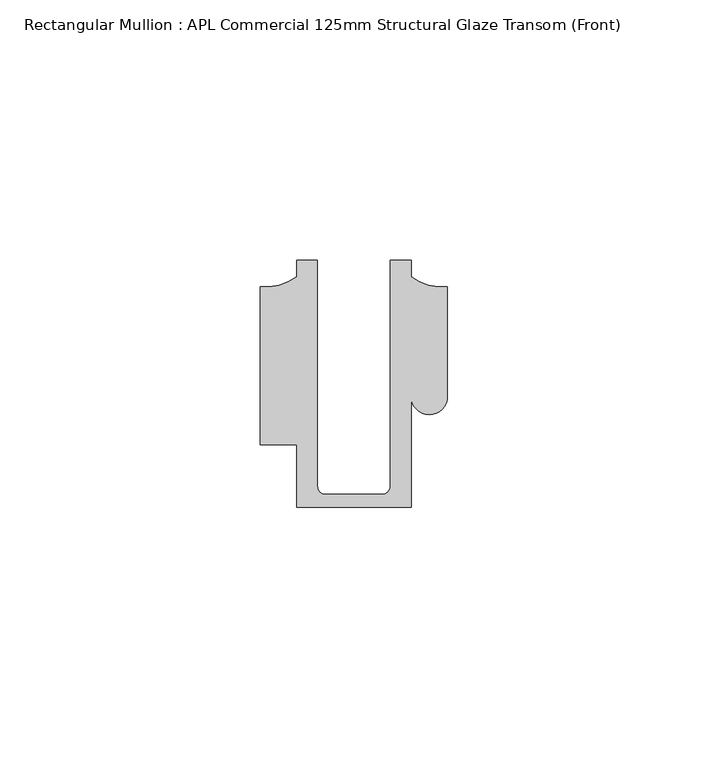
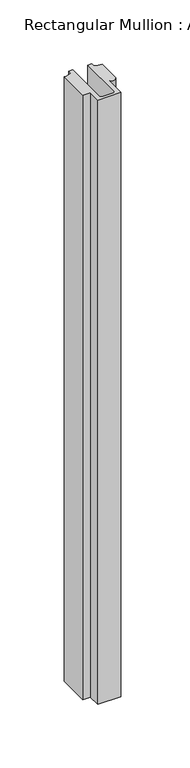
"""IFC4 building model written with IfcOpenShell, lengths in millimetres: member geometry, Rectangular Mullion : APL Commercial 125mm Structural Glaze Transom (Front)."""

from ifc_helpers import new_model, si_unit, frame, origin, place, context, project, spatial, polyline, circle_curve, source, transform, mapped, element, save
from ifc_brep_helpers import plane_surface, cylinder_surface, revolved_surface, advanced_brep


def rectangular_mullion_apl_commercial_125mm_structural_glaze_abcbf710(model_context):
    return source(origin(), model_context, "Body", "AdvancedBrep", [
        advanced_brep(
        [(-11.0000151, -27.0, 0.0), (11.001071, -27.0, 0.0), (11.001071, -5.5848769, 0.0), (17.9999091, -5.6750512, 0.0), (17.9999542, 15.3797475, 0.0), (11.0000151, 17.3125212, 0.0), (11.0000151, 20.5, 0.0), (6.9999849, 20.5, 0.0), (6.9999849, -22.9973451, 0.0), (5.4999872, -24.5, 0.0), (-5.4999873, -24.5, 0.0), (-6.9999853, -22.9976091, 0.0), (-6.9999853, 20.5, 0.0), (-10.9999994, 20.5, 0.0), (-10.9999994, 17.3125325, 0.0), (-17.9999542, 15.3797475, 0.0), (-17.9999542, -15.0006281, 0.0), (-11.0000151, -15.0006281, 0.0), (-11.0000151, -27.0, -603.0000609), (-11.0000151, -15.0006281, -603.0000609), (-17.9999542, -15.0006281, -603.0000609), (-17.9999542, 15.3797475, -603.0000609), (-10.9999994, 17.3125325, -603.0000609), (-10.9999994, 20.5, -603.0000609), (-6.9999853, 20.5, -603.0000609), (-6.9999853, -22.9976091, -603.0000609), (-5.4999873, -24.5, -603.0000609), (5.4999872, -24.5, -603.0000609), (6.9999849, -22.9973451, -603.0000609), (6.9999849, 20.5, -603.0000609), (11.0000151, 20.5, -603.0000609), (11.0000151, 17.3125212, -603.0000609), (17.9999542, 15.3797475, -603.0000609), (17.9999542, -5.684606, -603.0000609), (11.001071, -5.5848769, -603.0000609), (11.001071, -27.0, -603.0000609)],
        [
            (0, 1),
            (1, 2),
            (2, 3, circle_curve(frame((14.4999091, -5.6750512, 0.0), z_axis=(0.0, 0.0, 1.0), x_axis=(-0.9999826028573957, 0.005898642432633649, 0.0)), 3.5)),
            (3, 4),
            (4, 5, circle_curve(frame((17.109817, 25.7981812, 0.0), z_axis=(0.0, 0.0, -1.0), x_axis=(0.0, -1.0, 0.0)), 10.4563907)),
            (5, 6),
            (6, 7),
            (7, 8),
            (8, 9, circle_curve(frame((5.4999872, -23.0, 0.0), z_axis=(0.0, 0.0, -1.0), x_axis=(0.9999999999999986, 5.463622857820516e-08, 0.0)), 1.5)),
            (9, 10),
            (10, 11, circle_curve(frame((-5.4999873, -23.0, 0.0), z_axis=(0.0, 0.0, -1.0), x_axis=(2.7320010112268853e-08, -0.9999999999999997, 0.0)), 1.5)),
            (11, 12),
            (12, 13),
            (13, 14),
            (14, 15, circle_curve(frame((-17.109817, 25.7981812, 0.0), z_axis=(0.0, 0.0, -1.0), x_axis=(0.0, -1.0, 0.0)), 10.4563907)),
            (15, 16),
            (16, 17),
            (17, 0),
            (18, 19),
            (19, 20),
            (20, 21),
            (21, 22, circle_curve(frame((-17.109817, 25.7981812, -603.0000609), z_axis=(0.0, 0.0, 1.0), x_axis=(0.0, -1.0, 0.0)), 10.4563907)),
            (22, 23),
            (23, 24),
            (24, 25),
            (25, 26, circle_curve(frame((-5.4999873, -23.0, -603.0000609), z_axis=(0.0, 0.0, 1.0), x_axis=(2.7320010112268853e-08, -0.9999999999999997, 0.0)), 1.5)),
            (26, 27),
            (27, 28, circle_curve(frame((5.4999872, -23.0, -603.0000609), z_axis=(0.0, 0.0, 1.0), x_axis=(0.9999999999999986, 5.463622857820516e-08, 0.0)), 1.5)),
            (28, 29),
            (29, 30),
            (30, 31),
            (31, 32, circle_curve(frame((17.109817, 25.7981812, -603.0000609), z_axis=(0.0, 0.0, 1.0), x_axis=(0.0, -1.0, 0.0)), 10.4563907)),
            (32, 33),
            (33, 34, circle_curve(frame((14.4999091, -5.6750512, -603.0000609), z_axis=(0.0, 0.0, -1.0), x_axis=(-0.9999826028573957, 0.005898642432633649, 0.0)), 3.5)),
            (34, 35),
            (35, 18),
            (0, 18),
            (35, 1),
            (34, 2),
            (33, 3),
            (32, 4),
            (31, 5),
            (30, 6),
            (29, 7),
            (28, 8),
            (27, 9),
            (26, 10),
            (25, 11),
            (24, 12),
            (23, 13),
            (22, 14),
            (21, 15),
            (20, 16),
            (19, 17),
        ],
        [
            plane_surface(frame((0.0, -29.1551636, 0.0), z_axis=(0.0, 0.0, 1.0), x_axis=(-1.0, 0.0, 0.0))),
            plane_surface(frame((0.0, -29.1551636, -603.0000609), z_axis=(0.0, 0.0, -1.0), x_axis=(-1.0, 0.0, 0.0))),
            plane_surface(frame((-11.0000151, -27.0, 0.0), z_axis=(0.0, -1.0, 0.0), x_axis=(0.0, 0.0, -1.0))),
            plane_surface(frame((11.001071, -27.0, 0.0), z_axis=(1.0, 0.0, 0.0), x_axis=(0.0, 0.0, -1.0))),
            cylinder_surface(frame((14.4999091, -5.6750512, 0.0), z_axis=(0.0, 0.0, 1.0), x_axis=(-0.9999826028573957, 0.005898642432633649, 0.0)), 3.5),
            plane_surface(frame((17.9999542, -5.684606, 0.0), z_axis=(1.0, 0.0, 0.0), x_axis=(0.0, 0.0, -1.0))),
            revolved_surface(polyline([(17.109817, 15.341790499999998, -603.0000609), (17.109817, 15.341790499999998, 0.0)]), (17.109817, 25.7981812, 0.0), (0.0, 0.0, -1.0)),
            plane_surface(frame((11.0000151, 17.3125212, 0.0), z_axis=(1.0, 0.0, 0.0), x_axis=(0.0, 0.0, -1.0))),
            plane_surface(frame((11.0000151, 20.5, 0.0), z_axis=(0.0, 1.0, 0.0), x_axis=(0.0, 0.0, -1.0))),
            plane_surface(frame((6.9999849, 20.5, 0.0), z_axis=(-1.0, 0.0, 0.0), x_axis=(0.0, 0.0, -1.0))),
            revolved_surface(polyline([(6.999987199999998, -22.999999918045656, -603.0000609), (6.999987199999998, -22.999999918045656, 0.0)]), (5.4999872, -23.0, 0.0), (0.0, 0.0, -1.0)),
            plane_surface(frame((5.4999872, -24.5, 0.0), z_axis=(0.0, 1.0, 0.0), x_axis=(0.0, 0.0, -1.0))),
            revolved_surface(polyline([(-5.499987259019985, -24.5, -603.0000609), (-5.499987259019985, -24.5, 0.0)]), (-5.4999873, -23.0, 0.0), (0.0, 0.0, -1.0)),
            plane_surface(frame((-6.9999853, -22.9976091, 0.0), z_axis=(1.0, 0.0, 0.0), x_axis=(0.0, 0.0, -1.0))),
            plane_surface(frame((-6.9999853, 20.5, 0.0), z_axis=(0.0, 1.0, 0.0), x_axis=(0.0, 0.0, -1.0))),
            plane_surface(frame((-10.9999994, 20.5, 0.0), z_axis=(-1.0, 0.0, 0.0), x_axis=(0.0, 0.0, -1.0))),
            revolved_surface(polyline([(-17.109817, 15.341790499999998, -603.0000609), (-17.109817, 15.341790499999998, 0.0)]), (-17.109817, 25.7981812, 0.0), (0.0, 0.0, -1.0)),
            plane_surface(frame((-17.9999542, 15.3797475, 0.0), z_axis=(-1.0, 0.0, 0.0), x_axis=(0.0, 0.0, -1.0))),
            plane_surface(frame((-17.9999542, -15.0006281, 0.0), z_axis=(0.0, -1.0, 0.0), x_axis=(0.0, 0.0, -1.0))),
            plane_surface(frame((-11.0000151, -15.0006281, 0.0), z_axis=(-1.0, 0.0, 0.0), x_axis=(0.0, 0.0, -1.0))),
        ],
        [
            (0, [[1, 2, 3, 4, 5, 6, 7, 8, 9, 10, 11, 12, 13, 14, 15, 16, 17, 18]]),
            (1, [[19, 20, 21, 22, 23, 24, 25, 26, 27, 28, 29, 30, 31, 32, 33, 34, 35, 36]]),
            (2, [[-1, 37, -36, 38]]),
            (3, [[-2, -38, -35, 39]]),
            (4, [[-3, -39, -34, 40]]),
            (5, [[-4, -40, -33, 41]]),
            (6, [[-5, -41, -32, 42]]),
            (7, [[-6, -42, -31, 43]]),
            (8, [[-7, -43, -30, 44]]),
            (9, [[-8, -44, -29, 45]]),
            (10, [[-9, -45, -28, 46]]),
            (11, [[-10, -46, -27, 47]]),
            (12, [[-11, -47, -26, 48]]),
            (13, [[-12, -48, -25, 49]]),
            (14, [[-13, -49, -24, 50]]),
            (15, [[-14, -50, -23, 51]]),
            (16, [[-15, -51, -22, 52]]),
            (17, [[-16, -52, -21, 53]]),
            (18, [[-17, -53, -20, 54]]),
            (19, [[-18, -54, -19, -37]]),
        ],
    ),
    ])


if __name__ == "__main__":
    model = new_model("IFC4")
    model_context = context("Model", 3, world=origin())
    ifc_project = project(units=[si_unit("LENGTHUNIT", "METRE", prefix="MILLI")], contexts=[model_context])
    site = spatial("IfcSite", under=ifc_project)
    building = spatial("IfcBuilding", under=site)
    placement = place(None, origin())
    rectangular_mullion_apl_commercial_125mm_structural_glaze_shape = rectangular_mullion_apl_commercial_125mm_structural_glaze_abcbf710(model_context)
    element("IfcMember", 1, ObjectType="Rectangular Mullion : APL Commercial 125mm Structural Glaze Transom (Front)", at=placement, inside=building, context=model_context, shape_type="MappedRepresentation", body=[
        mapped(rectangular_mullion_apl_commercial_125mm_structural_glaze_shape, transform((0.0, 0.0, 0.0), x_axis=(1.0, 0.0, 0.0), y_axis=(0.0, 1.0, 0.0), z_axis=(0.0, 0.0, 1.0))),
    ])
    save(model, "model.ifc")
